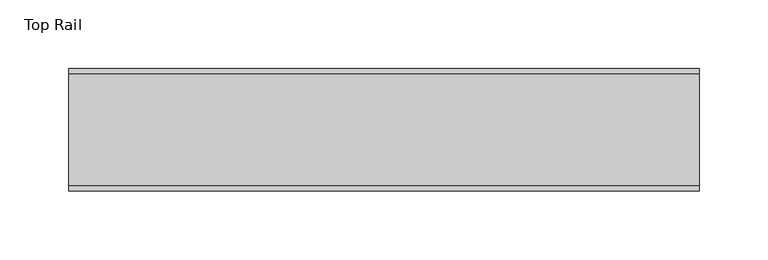
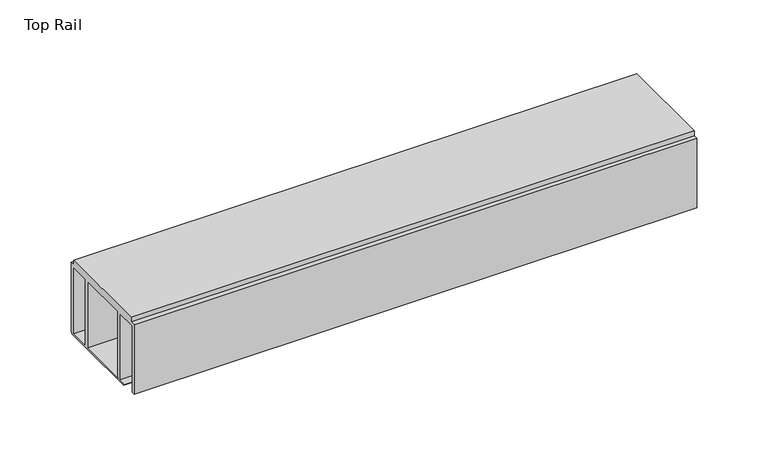
"""IFC4 building model written with IfcOpenShell, lengths in millimetres: furniture geometry, Top Rail."""

import ifcopenshell
import ifcopenshell.guid

model = None  # the IFC model being written
_history = None  # IfcOwnerHistory: only IFC2X3 demands one
_inside = {}  # id of a spatial element -> (the spatial element, [elements in it])
_under = {}  # id of a project, library or spatial element -> (it, [spatial elements below it])
_declared = {}  # id of a project -> (the project, [libraries it declares])
_typed = {}  # id of a type object -> (the type object, [elements of that type])
_made_of = {}  # id of a material, layer set ... -> (it, [elements and type objects made of it])


def new_model(schema):
    """Start an empty IFC model of exactly this schema.

    Asked for "IFC4X3", IfcOpenShell would pick the latest addendum, in which some entities
    have other attributes; the version numbers below select the first issue.
    IFC2X3 requires an IfcOwnerHistory on every rooted entity: one is made here for all.
    """
    global model, _history
    if schema == "IFC4X3":
        model = ifcopenshell.file(schema_version=(4, 3, 0, 0))
    else:
        model = ifcopenshell.file(schema=schema)
    _inside.clear()
    _under.clear()
    _declared.clear()
    _typed.clear()
    _made_of.clear()
    _history = None
    if model.schema == "IFC2X3":
        org = make("IfcOrganization", Name="unknown")
        user = make(
            "IfcPersonAndOrganization",
            ThePerson=make("IfcPerson", FamilyName="unknown"),
            TheOrganization=org,
        )
        app = make(
            "IfcApplication",
            ApplicationDeveloper=org,
            Version="unknown",
            ApplicationFullName="unknown",
            ApplicationIdentifier="unknown",
        )
        _history = make(
            "IfcOwnerHistory",
            OwningUser=user,
            OwningApplication=app,
            ChangeAction="ADDED",
            CreationDate=0,
        )
    return model


def make(cls, **values):
    """One entity of the class cls with the attributes given. An attribute that is None is left unset."""
    return model.create_entity(
        cls, **{name: value for name, value in values.items() if value is not None}
    )


def rooted(cls, **values):
    """An entity with a GlobalId (a new one), such as an element, a storey or a relation."""
    return make(cls, GlobalId=ifcopenshell.guid.new(), OwnerHistory=_history, **values)


def si_unit(unit_type, name, prefix=None):
    """IfcSIUnit, for example si_unit("LENGTHUNIT", "METRE", prefix="MILLI")."""
    return make("IfcSIUnit", UnitType=unit_type, Prefix=prefix, Name=name)


def assignment(units):
    """IfcUnitAssignment: the units of a project."""
    return None if units is None else make("IfcUnitAssignment", Units=units)


def point(xyz):
    """IfcCartesianPoint."""
    return None if xyz is None else make("IfcCartesianPoint", Coordinates=xyz)


def direction(xyz):
    """IfcDirection."""
    return None if xyz is None else make("IfcDirection", DirectionRatios=xyz)


def frame(location, z_axis=None, x_axis=None):
    """IfcAxis2Placement3D, a coordinate frame: its origin and axes. An axis left out is left unset."""
    return make(
        "IfcAxis2Placement3D",
        Location=point(location),
        Axis=direction(z_axis),
        RefDirection=direction(x_axis),
    )


def origin():
    """The frame at (0, 0, 0) with its axes left unset."""
    return frame((0.0, 0.0, 0.0))


def place(relative_to, where):
    """IfcLocalPlacement: puts the frame where relative to a parent placement (None: the world)."""
    return make(
        "IfcLocalPlacement", PlacementRelTo=relative_to, RelativePlacement=where
    )


def context(
    kind, dimensions, precision=None, world=None, true_north=None, identifier=None
):
    """IfcGeometricRepresentationContext, for example the 3D "Model" context."""
    return make(
        "IfcGeometricRepresentationContext",
        ContextIdentifier=identifier,
        ContextType=kind,
        CoordinateSpaceDimension=dimensions,
        Precision=precision,
        WorldCoordinateSystem=world,
        TrueNorth=true_north,
    )


def project(units=None, contexts=None):
    """IfcProject with its units and contexts."""
    return rooted(
        "IfcProject",
        Name="project",
        RepresentationContexts=contexts,
        UnitsInContext=assignment(units),
    )


def spatial(cls, under=None, at=None, **own):
    """A site, building, storey or space (cls), placed at a placement, below another one or the project."""
    s = rooted(cls, ObjectPlacement=at, **own)
    if under is not None:
        _under.setdefault(under.id(), (under, []))[1].append(s)
    return s


def polyline(points):
    """IfcPolyline through the points."""
    return make("IfcPolyline", Points=[point(p) for p in points])


def outline(outer, holes=None, kind="AREA"):
    """IfcArbitraryClosedProfileDef: a profile drawn as a closed curve; with holes, ...WithVoids."""
    if holes is None:
        return make("IfcArbitraryClosedProfileDef", ProfileType=kind, OuterCurve=outer)
    return make(
        "IfcArbitraryProfileDefWithVoids",
        ProfileType=kind,
        OuterCurve=outer,
        InnerCurves=holes,
    )


def extrude(swept, where, along, depth):
    """IfcExtrudedAreaSolid: the profile swept, set in the frame where, extruded along a direction by depth."""
    return make(
        "IfcExtrudedAreaSolid",
        SweptArea=swept,
        Position=where,
        ExtrudedDirection=direction(along),
        Depth=depth,
    )


def shape(context_of_items, identifier, shape_type, items):
    """IfcShapeRepresentation: the items that make up one representation, for example the "Body"."""
    return make(
        "IfcShapeRepresentation",
        ContextOfItems=context_of_items,
        RepresentationIdentifier=identifier,
        RepresentationType=shape_type,
        Items=items,
    )


def source(mapping_origin, context_of_items, identifier, shape_type, items):
    """IfcRepresentationMap: a shape defined once, which mapped items show again and again."""
    return make(
        "IfcRepresentationMap",
        MappingOrigin=mapping_origin,
        MappedRepresentation=shape(context_of_items, identifier, shape_type, items),
    )


def transform(
    local_origin,
    x_axis=None,
    y_axis=None,
    z_axis=None,
    scale=None,
    scale2=None,
    scale3=None,
    uniform=True,
):
    """IfcCartesianTransformationOperator3D, or its non-uniform kind. x_axis, y_axis, z_axis: its Axis1, 2, 3."""
    if uniform:
        return make(
            "IfcCartesianTransformationOperator3D",
            Axis1=direction(x_axis),
            Axis2=direction(y_axis),
            LocalOrigin=point(local_origin),
            Scale=scale,
            Axis3=direction(z_axis),
        )
    return make(
        "IfcCartesianTransformationOperator3DnonUniform",
        Axis1=direction(x_axis),
        Axis2=direction(y_axis),
        LocalOrigin=point(local_origin),
        Scale=scale,
        Axis3=direction(z_axis),
        Scale2=scale2,
        Scale3=scale3,
    )


def mapped(mapping_source, mapping_target):
    """IfcMappedItem: shows the shape of a source again, moved by a transform."""
    return make(
        "IfcMappedItem", MappingSource=mapping_source, MappingTarget=mapping_target
    )


def made_of(thing, what):
    """Note that an element or type object is made of a material, layer set ...; save() writes the relation."""
    if what is not None:
        _made_of.setdefault(what.id(), (what, []))[1].append(thing)
    return thing


def element(
    cls,
    number,
    at=None,
    inside=None,
    cuts=None,
    type_object=None,
    material=None,
    context=None,
    identifier="Body",
    shape_type=None,
    held_by="IfcProductDefinitionShape",
    body=None,
    shapes=None,
    **own,
):
    """One element of the class cls, such as IfcWall. Its Tag is "e" and its number.

    at: its placement. inside: the storey or other place that contains it. cuts: it is an
    opening in that element (IfcRelVoidsElement). A single representation is given by context,
    identifier, shape_type and body (its items); several are given by shapes. held_by: the class
    of the entity that holds the representations. save() writes the other relations.
    """
    e = rooted(cls, Tag="e%d" % number, ObjectPlacement=at, **own)
    if body is not None:
        shapes = [shape(context, identifier, shape_type, body)]
    if shapes is not None:
        e.Representation = make(held_by, Representations=shapes)
    if inside is not None:
        _inside.setdefault(inside.id(), (inside, []))[1].append(e)
    if cuts is not None:
        rooted(
            "IfcRelVoidsElement", RelatingBuildingElement=cuts, RelatedOpeningElement=e
        )
    if type_object is not None:
        _typed.setdefault(type_object.id(), (type_object, []))[1].append(e)
    return made_of(e, material)


def aggregate(whole, parts):
    """IfcRelAggregates: a whole, such as a stair, and the parts it consists of."""
    return rooted("IfcRelAggregates", RelatingObject=whole, RelatedObjects=parts)


def save(model, path):
    """Write the relations noted so far, then the file.

    IfcRelAggregates (storeys below a building ...), IfcRelContainedInSpatialStructure (elements
    in a storey), IfcRelDefinesByType, IfcRelAssociatesMaterial and IfcRelDeclares: one each for
    every whole, place, type object, material and project.
    """
    for whole, parts in _under.values():
        aggregate(whole, parts)
    for where, things in _inside.values():
        rooted(
            "IfcRelContainedInSpatialStructure",
            RelatedElements=things,
            RelatingStructure=where,
        )
    for kind, things in _typed.values():
        rooted("IfcRelDefinesByType", RelatedObjects=things, RelatingType=kind)
    for what, things in _made_of.values():
        rooted("IfcRelAssociatesMaterial", RelatedObjects=things, RelatingMaterial=what)
    for by, libraries in _declared.values():
        rooted("IfcRelDeclares", RelatingContext=by, RelatedDefinitions=libraries)
    model.write(path)


def top_rail_5dfaab6f(model_context):
    return source(origin(), model_context, "Body", "SweptSolid", [
        extrude(outline(polyline([(59.951805, -4.0000001), (59.951805, -63.5), (58.0797005, -65.0875), (39.033865, -65.0875), (38.1255324, -64.1791674), (37.2171998, -65.0875), (-13.9690637, -65.0875), (-15.1141535, -63.9424102), (57.1518064, -63.9424102), (57.1518064, -6.6000002), (39.7518058, -6.6000002), (39.7518058, -63.5), (36.4518057, -63.5), (36.4518057, -6.6000002), (-5.4481956, -6.6000002), (-5.4481956, -63.5), (-8.7481957, -63.5), (-8.7481957, -6.6000002), (-26.1481963, -6.6000002), (-26.1481963, -63.5), (-28.948195, -63.5), (-28.948195, -4.0000001), (-24.9481962, -4.0000001), (-24.9481962, 0.0), (55.9518063, 0.0), (55.9518063, -4.0000001), (59.951805, -4.0000001)])), frame((-198.6228469, 0.0, 0.0), z_axis=(1.0, 0.0, 0.0), x_axis=(0.0, 1.0, 0.0)), (0.0, 0.0, 1.0), 457.2),
    ])


if __name__ == "__main__":
    model = new_model("IFC4")
    model_context = context("Model", 3, world=origin())
    ifc_project = project(units=[si_unit("LENGTHUNIT", "METRE", prefix="MILLI")], contexts=[model_context])
    site = spatial("IfcSite", under=ifc_project)
    building = spatial("IfcBuilding", under=site)
    placement = place(None, origin())
    top_rail_shape = top_rail_5dfaab6f(model_context)
    element("IfcFurniture", 1, ObjectType="Top Rail", at=placement, inside=building, context=model_context, shape_type="MappedRepresentation", body=[
        mapped(top_rail_shape, transform((0.0, 0.0, 0.0), x_axis=(1.0, 0.0, 0.0), y_axis=(0.0, 1.0, 0.0), z_axis=(0.0, 0.0, 1.0))),
    ])
    save(model, "model.ifc")
